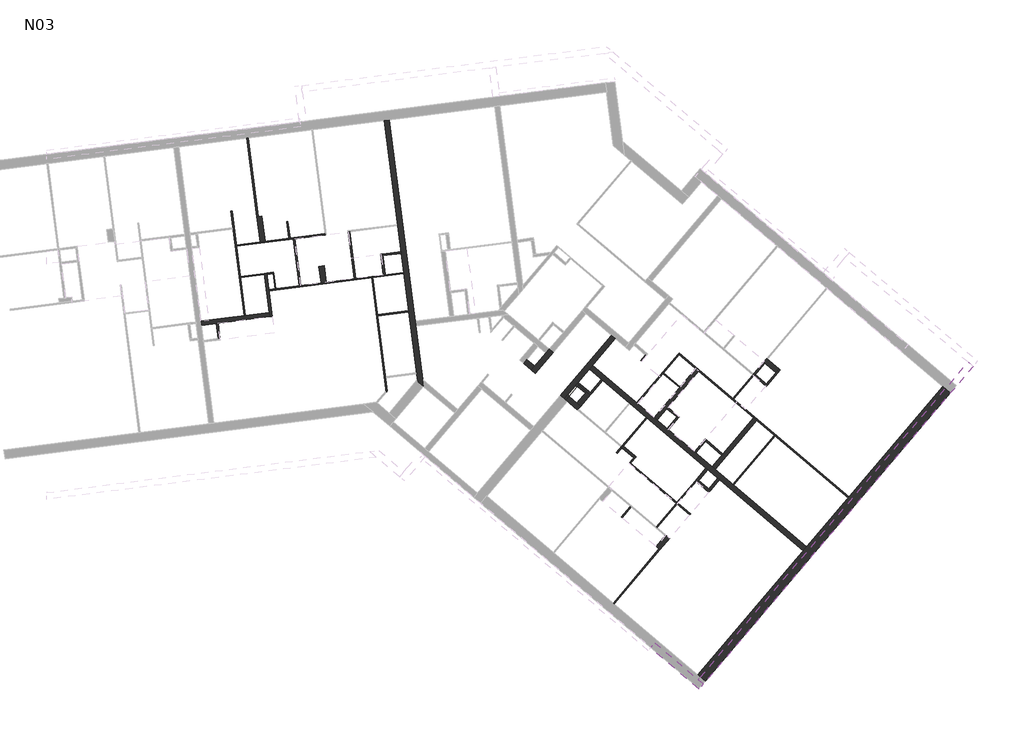
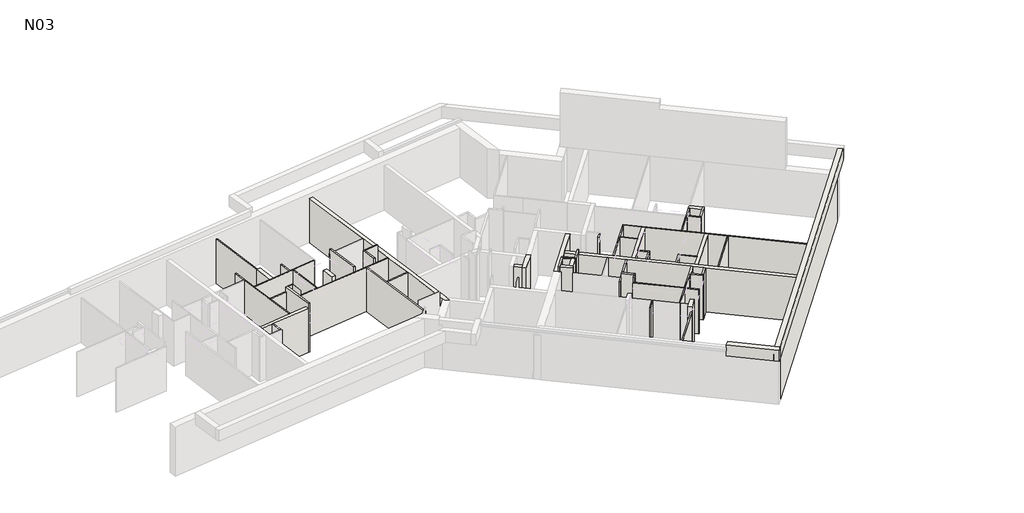
# One storey, part 2 of 3: 61 walls.
"""IFC4 building model written with IfcOpenShell, lengths in millimetres."""

from ifc_helpers import new_model, si_unit, frame, origin, place, context, project, spatial, polyline, outline, extrude, faceted_brep, element, save

model = new_model("IFC4")

# Units and contexts
model_context = context("Model", 3, world=origin())
ifc_project = project(units=[si_unit("LENGTHUNIT", "METRE", prefix="MILLI")], contexts=[model_context])

# Site, building, storey
site = spatial("IfcSite", under=ifc_project)
building = spatial("IfcBuilding", under=site)
storey = spatial("IfcBuildingStorey", under=building, Name="N03", Elevation=8610.0)

# Walls
placement = place(None, origin())
element("IfcWall", 1, at=placement, inside=storey, context=model_context, shape_type="Brep", body=[
    faceted_brep([(6573.8266873, 25247.4507116, 8610.0), (7091.298347, 21198.648002, 8610.0), (7097.6372121, 21149.0514417, 8610.0), (7227.2035217, 20135.2984845, 8610.0), (7236.0779329, 20065.8633002, 8610.0), (7330.9074492, 19323.8980245, 8610.0), (7337.2463143, 19274.3014642, 8610.0), (7522.1261366, 17827.764419, 8610.0), (7528.4650018, 17778.1678588, 8610.0), (7830.1949823, 15417.3715908, 8610.0), (7836.5338475, 15367.7750306, 8610.0), (7865.2890942, 15142.7881766, 8610.0), (7877.7236226, 15045.4979161, 8610.0), (7877.7236226, 15045.4979161, 11110.0), (7865.2890942, 15142.7881766, 11110.0), (7528.4650018, 17778.1678588, 11110.0), (7522.1261366, 17827.764419, 11110.0), (7337.2463143, 19274.3014642, 11110.0), (7330.9074492, 19323.8980245, 11110.0), (7097.6372121, 21149.0514417, 11110.0), (7091.298347, 21198.648002, 11110.0), (6573.8266873, 25247.4507116, 11110.0), (6772.2129283, 25272.8061722, 8610.0), (6772.2129283, 25272.8061722, 11110.0), (7775.7214118, 17421.1532528, 11110.0), (7801.0768724, 17222.7670118, 11110.0), (8066.276266, 15147.7934292, 11110.0), (8103.8819853, 14853.5586918, 11110.0), (8103.8819853, 14853.5586918, 8610.0), (8066.276266, 15147.7934292, 8610.0), (7801.0768724, 17222.7670118, 8610.0), (7775.7214118, 17421.1532528, 8610.0), (8089.348342, 14865.8933062, 8610.0), (8089.348342, 14865.8933062, 11110.0)], [[[0, 1, 2, 3, 4, 5, 6, 7, 8, 9, 10, 11, 12, 13, 14, 15, 16, 17, 18, 19, 20, 21]], [[22, 23, 24, 25, 26, 27, 28, 29, 30, 31]], [[12, 11, 10, 9, 8, 7, 6, 5, 4, 3, 2, 1, 0, 22, 31, 30, 29, 28, 32]], [[21, 20, 19, 18, 17, 16, 15, 14, 13, 33, 27, 26, 25, 24, 23]], [[13, 12, 32, 28, 27, 33]], [[0, 21, 23, 22]]]),
])
element("IfcWall", 2, at=placement, inside=storey, context=model_context, shape_type="Brep", body=[
    faceted_brep([(23044.8025054, 8615.744738, 8610.0), (20203.3756075, 11027.2464329, 8610.0), (20165.2540826, 11059.5999387, 8610.0), (19479.0666351, 11641.9630444, 8610.0), (19357.0777555, 11745.4942632, 8610.0), (18724.2604428, 12282.5624606, 8610.0), (18670.890308, 12327.8573688, 8610.0), (17219.7762145, 13559.409058, 8610.0), (17097.7873349, 13662.9402767, 8610.0), (16457.3457172, 14206.4791754, 8610.0), (16419.2241924, 14238.8326812, 8610.0), (14698.6274171, 15699.0926804, 8610.0), (14698.6274171, 15699.0926804, 11110.0), (16419.2241924, 14238.8326812, 11110.0), (16457.3457172, 14206.4791754, 11110.0), (17097.7873349, 13662.9402767, 11110.0), (17219.7762145, 13559.409058, 11110.0), (18670.890308, 12327.8573688, 11110.0), (18724.2604428, 12282.5624606, 11110.0), (19357.0777555, 11745.4942632, 11110.0), (19479.0666351, 11641.9630444, 11110.0), (20165.2540826, 11059.5999387, 11110.0), (20203.3756075, 11027.2464329, 11110.0), (23044.8025054, 8615.744738, 11110.0), (22915.3884819, 8463.2586386, 8610.0), (22915.3884819, 8463.2586386, 11110.0), (19648.4348699, 11235.9022629, 11110.0), (19572.1918202, 11300.6092746, 11110.0), (19190.9765715, 11624.1443333, 11110.0), (19114.7335218, 11688.851345, 11110.0), (16822.4519677, 13634.2967327, 11110.0), (16784.3304428, 13666.6502385, 11110.0), (16151.51313, 14203.718436, 11110.0), (16113.3916052, 14236.0719418, 11110.0), (14569.2133936, 15546.6065809, 11110.0), (14569.2133936, 15546.6065809, 8610.0), (16113.3916052, 14236.0719418, 8610.0), (16151.51313, 14203.718436, 8610.0), (16784.3304428, 13666.6502385, 8610.0), (16822.4519677, 13634.2967327, 8610.0), (19114.7335218, 11688.851345, 8610.0), (19190.9765715, 11624.1443333, 8610.0), (19572.1918202, 11300.6092746, 8610.0), (19648.4348699, 11235.9022629, 8610.0)], [[[0, 1, 2, 3, 4, 5, 6, 7, 8, 9, 10, 11, 12, 13, 14, 15, 16, 17, 18, 19, 20, 21, 22, 23]], [[24, 25, 26, 27, 28, 29, 30, 31, 32, 33, 34, 35, 36, 37, 38, 39, 40, 41, 42, 43]], [[11, 10, 9, 8, 7, 6, 5, 4, 3, 2, 1, 0, 24, 43, 42, 41, 40, 39, 38, 37, 36, 35]], [[23, 22, 21, 20, 19, 18, 17, 16, 15, 14, 13, 12, 34, 33, 32, 31, 30, 29, 28, 27, 26, 25]], [[0, 23, 25, 24]], [[12, 11, 35, 34]]]),
])
element("IfcWall", 3, at=placement, inside=storey, context=model_context, shape_type="Brep", body=[
    faceted_brep([(29335.1347893, 15826.6188703, 11050.0), (18897.8937958, 3528.6149492, 11050.0), (18813.7746805, 3429.4989845, 11050.0), (18813.7746805, 3429.4989845, 11690.0), (29335.1347893, 15826.6188703, 11690.0), (29533.3667185, 15658.3806398, 11050.0), (29533.3667185, 15658.3806398, 11690.0), (19012.0066098, 3261.260754, 11690.0), (19012.0066098, 3261.260754, 11050.0)], [[[0, 1, 2, 3, 4]], [[5, 6, 7, 8]], [[2, 1, 0, 5, 8]], [[4, 3, 7, 6]], [[3, 2, 8, 7]], [[0, 4, 6, 5]]]),
])
element("IfcWall", 4, at=placement, inside=storey, context=model_context, shape_type="Brep", body=[
    faceted_brep([(19012.0066098, 3261.260754, 11050.0), (18813.7746805, 3429.4989845, 11050.0), (17121.1789766, 4865.9946451, 11050.0), (17121.1789766, 4865.9946451, 11690.0), (18813.7746805, 3429.4989845, 11690.0), (19012.0066098, 3261.260754, 11690.0), (18843.7683793, 3063.0288247, 11050.0), (18843.7683793, 3063.0288247, 11690.0), (16952.940746, 4667.7627158, 11690.0), (16952.940746, 4667.7627158, 11050.0)], [[[0, 1, 2, 3, 4, 5]], [[6, 7, 8, 9]], [[2, 1, 0, 6, 9]], [[5, 4, 3, 8, 7]], [[0, 5, 7, 6]], [[3, 2, 9, 8]]]),
])
element("IfcWall", 5, at=placement, inside=storey, context=model_context, shape_type="Brep", body=[
    faceted_brep([(28349.5327638, 14866.2082043, 8610.0), (23044.8025054, 8615.744738, 8610.0), (22915.3884819, 8463.2586386, 8610.0), (18798.7778311, 3612.7340644, 8610.0), (18798.7778311, 3612.7340644, 11050.0), (28349.5327638, 14866.2082043, 11050.0), (19080.8771151, 3373.318121, 8610.0), (28631.6320478, 14626.7922609, 8610.0), (28631.6320478, 14626.7922609, 11050.0), (19080.8771151, 3373.318121, 11050.0), (18897.8937958, 3528.6149492, 11050.0)], [[[0, 1, 2, 3, 4, 5]], [[6, 7, 8, 9]], [[3, 2, 1, 0, 7, 6]], [[5, 4, 10, 9, 8]], [[4, 3, 6, 9, 10]], [[5, 8, 7, 0]]]),
])
element("IfcWall", 6, at=placement, inside=storey, context=model_context, shape_type="Brep", body=[
    faceted_brep([(13586.371073, 14388.5420388, 8610.0), (14569.2133936, 15546.6065809, 8610.0), (14698.6274171, 15699.0926804, 8610.0), (15578.6427768, 16735.9981567, 8610.0), (15578.6427768, 16735.9981567, 11110.0), (14698.6274171, 15699.0926804, 11110.0), (14569.2133936, 15546.6065809, 11110.0), (13586.371073, 14388.5420388, 11110.0), (15426.1566773, 16865.4121802, 8610.0), (13433.8849736, 14517.9560622, 8610.0), (13433.8849736, 14517.9560622, 11110.0), (15426.1566773, 16865.4121802, 11110.0)], [[[0, 1, 2, 3, 4, 5, 6, 7]], [[8, 9, 10, 11]], [[3, 2, 1, 0, 9, 8]], [[7, 6, 5, 4, 11, 10]], [[0, 7, 10, 9]], [[4, 3, 8, 11]]]),
])
element("IfcWall", 7, at=placement, inside=storey, context=model_context, shape_type="Brep", body=[
    faceted_brep([(12998.0125548, 16326.6822904, 8610.0), (12868.5985313, 16174.196191, 8610.0), (12435.0615526, 15663.3677578, 8610.0), (12305.6475292, 15510.8816583, 8610.0), (12305.6475292, 15510.8816583, 11110.0), (12435.0615526, 15663.3677578, 11110.0), (12868.5985313, 16174.196191, 11110.0), (12998.0125548, 16326.6822904, 11110.0), (13150.4986542, 16197.2682669, 8610.0), (13150.4986542, 16197.2682669, 11110.0), (12458.1336286, 15381.4676348, 11110.0), (12458.1336286, 15381.4676348, 8610.0)], [[[0, 1, 2, 3, 4, 5, 6, 7]], [[8, 9, 10, 11]], [[3, 2, 1, 0, 8, 11]], [[7, 6, 5, 4, 10, 9]], [[4, 3, 11, 10]], [[0, 7, 9, 8]]]),
])
element("IfcWall", 8, at=placement, inside=storey, context=model_context, shape_type="SweptSolid", body=[
    extrude(outline(polyline([(12305.6475292, 15510.8816583), (12000.6753302, 15769.7097053), (12130.0893537, 15922.1958047), (12435.0615526, 15663.3677578), (12305.6475292, 15510.8816583)])), frame((0.0, 0.0, 8610.0), z_axis=(0.0, 0.0, 1.0), x_axis=(1.0, 0.0, 0.0)), (0.0, 0.0, 1.0), 2500.0),
])
element("IfcWall", 9, at=placement, inside=storey, context=model_context, shape_type="SweptSolid", body=[
    extrude(outline(polyline([(14152.0802044, 14931.4722172), (14457.0524033, 14672.6441703), (14405.2867939, 14611.6497305), (14100.314595, 14870.4777775), (14152.0802044, 14931.4722172)])), frame((0.0, 0.0, 8610.0), z_axis=(0.0, 0.0, 1.0), x_axis=(1.0, 0.0, 0.0)), (0.0, 0.0, 1.0), 2770.0),
])
element("IfcWall", 10, at=placement, inside=storey, context=model_context, shape_type="Brep", body=[
    faceted_brep([(14091.0857646, 14983.2378266, 8610.0), (13586.371073, 14388.5420388, 8610.0), (13586.371073, 14388.5420388, 11380.0), (14091.0857646, 14983.2378266, 11380.0), (14019.9080517, 14899.3704719, 10110.0), (13728.7264989, 14556.2767482, 10110.0), (13728.7264989, 14556.2767482, 9110.0), (14019.9080517, 14899.3704719, 9110.0), (13647.3655128, 14336.7764294, 11380.0), (13647.3655128, 14336.7764294, 8610.0), (13776.7795363, 14489.2625288, 8610.0), (14100.314595, 14870.4777775, 8610.0), (14152.0802044, 14931.4722172, 8610.0), (14152.0802044, 14931.4722172, 11380.0), (14100.314595, 14870.4777775, 11380.0), (13776.7795363, 14489.2625288, 11380.0), (13789.7209386, 14504.5111388, 10110.0), (14080.9024915, 14847.6048625, 10110.0), (14080.9024915, 14847.6048625, 9110.0), (13789.7209386, 14504.5111388, 9110.0)], [[[0, 1, 2, 3], [4, 5, 6, 7]], [[8, 9, 10, 11, 12, 13, 14, 15], [16, 17, 18, 19]], [[1, 0, 12, 11, 10, 9]], [[3, 2, 8, 15, 14, 13]], [[4, 17, 16, 5]], [[6, 19, 18, 7]], [[17, 4, 7, 18]], [[5, 16, 19, 6]], [[1, 9, 8, 2]], [[0, 3, 13, 12]]]),
])
element("IfcWall", 11, at=placement, inside=storey, context=model_context, shape_type="Brep", body=[
    faceted_brep([(13647.3655128, 14336.7764294, 8610.0), (13700.7356476, 14291.4815212, 8610.0), (14104.8238112, 13948.5343589, 8610.0), (14104.8238112, 13948.5343589, 11110.0), (14104.8238112, 13948.5343589, 11380.0), (13647.3655128, 14336.7764294, 11380.0), (13776.7795363, 14489.2625288, 8610.0), (13776.7795363, 14489.2625288, 11380.0), (14081.7517352, 14230.4344819, 11380.0), (14234.2378347, 14101.0204584, 11380.0), (14234.2378347, 14101.0204584, 8610.0), (14081.7517352, 14230.4344819, 8610.0), (14137.1773171, 13986.6558838, 8610.0)], [[[0, 1, 2, 3, 4, 5]], [[6, 7, 8, 9, 10, 11]], [[2, 1, 0, 6, 11, 10, 12]], [[5, 4, 9, 8, 7]], [[0, 5, 7, 6]], [[2, 12, 10, 9, 4, 3]]]),
])
element("IfcWall", 12, at=placement, inside=storey, context=model_context, shape_type="Brep", body=[
    faceted_brep([(14234.2378347, 14101.0204584, 11380.0), (14234.2378347, 14101.0204584, 8610.0), (14609.5385027, 14543.2301468, 8610.0), (14609.5385027, 14543.2301468, 11380.0), (14081.7517352, 14230.4344819, 8610.0), (14081.7517352, 14230.4344819, 11380.0), (14405.2867939, 14611.6497305, 11380.0), (14457.0524033, 14672.6441703, 11380.0), (14457.0524033, 14672.6441703, 8610.0), (14405.2867939, 14611.6497305, 8610.0)], [[[0, 1, 2, 3]], [[4, 5, 6, 7, 8, 9]], [[2, 1, 4, 9, 8]], [[0, 3, 7, 6, 5]], [[3, 2, 8, 7]], [[0, 5, 4, 1]]]),
])
element("IfcWall", 13, ObjectType="CLO 10", at=placement, inside=storey, context=model_context, shape_type="Brep", body=[
    faceted_brep([(19114.7335218, 11688.851345, 8610.0), (18694.1379455, 11193.2715218, 8610.0), (18694.1379455, 11193.2715218, 11110.0), (19114.7335218, 11688.851345, 11110.0), (19190.9765715, 11624.1443333, 8610.0), (19190.9765715, 11624.1443333, 11110.0), (18835.0880069, 11204.8075598, 11110.0), (18770.3809952, 11128.5645101, 11110.0), (18770.3809952, 11128.5645101, 8610.0), (18835.0880069, 11204.8075598, 8610.0), (18732.2594703, 11160.9180159, 8610.0), (18732.2594703, 11160.9180159, 11110.0)], [[[0, 1, 2, 3]], [[4, 5, 6, 7, 8, 9]], [[1, 0, 4, 9, 8, 10]], [[3, 2, 11, 7, 6, 5]], [[0, 3, 5, 4]], [[2, 1, 10, 8, 7, 11]]]),
])
element("IfcWall", 14, ObjectType="CLO 10", at=placement, inside=storey, context=model_context, shape_type="Brep", body=[
    faceted_brep([(18770.3809952, 11128.5645101, 8610.0), (19227.8392936, 10740.3224396, 8610.0), (19227.8392936, 10740.3224396, 11110.0), (18770.3809952, 11128.5645101, 11110.0), (18835.0880069, 11204.8075598, 8610.0), (18835.0880069, 11204.8075598, 11110.0), (19216.3032556, 10881.2725011, 11110.0), (19292.5463053, 10816.5654894, 11110.0), (19292.5463053, 10816.5654894, 8610.0), (19216.3032556, 10881.2725011, 8610.0)], [[[0, 1, 2, 3]], [[4, 5, 6, 7, 8, 9]], [[1, 0, 4, 9, 8]], [[3, 2, 7, 6, 5]], [[2, 1, 8, 7]], [[0, 3, 5, 4]]]),
])
element("IfcWall", 15, ObjectType="CLO 10", at=placement, inside=storey, context=model_context, shape_type="SweptSolid", body=[
    extrude(outline(polyline([(19648.4348699, 11235.9022629), (19292.5463053, 10816.5654894), (19216.3032556, 10881.2725011), (19572.1918202, 11300.6092746), (19648.4348699, 11235.9022629)])), frame((0.0, 0.0, 8610.0), z_axis=(0.0, 0.0, 1.0), x_axis=(1.0, 0.0, 0.0)), (0.0, 0.0, 1.0), 2500.0),
])
element("IfcWall", 16, ObjectType="CLO 10", at=placement, inside=storey, context=model_context, shape_type="SweptSolid", body=[
    extrude(outline(polyline([(15897.1416998, 12544.0211215), (16354.5999982, 12155.7790511), (16289.8929864, 12079.5360014), (15832.4346881, 12467.7780718), (15897.1416998, 12544.0211215)])), frame((0.0, 0.0, 8610.0), z_axis=(0.0, 0.0, 1.0), x_axis=(1.0, 0.0, 0.0)), (0.0, 0.0, 1.0), 2770.0),
])
element("IfcWall", 17, ObjectType="CLO 10", at=placement, inside=storey, context=model_context, shape_type="Brep", body=[
    faceted_brep([(2196.7926161, 17609.779786, 8610.0), (2070.0916156, 18601.1139866, 8610.0), (2063.7527505, 18650.7105469, 8610.0), (1987.6863688, 19245.8692699, 8610.0), (1981.3475037, 19295.4658301, 8610.0), (1981.3475037, 19295.4658301, 11380.0), (1987.6863688, 19245.8692699, 11380.0), (2196.7926161, 17609.779786, 11380.0), (2097.5994956, 17597.1020558, 8610.0), (2097.5994956, 17597.1020558, 11110.0), (2097.5994956, 17597.1020558, 11380.0), (1882.1543832, 19282.7880998, 11380.0), (1882.1543832, 19282.7880998, 11110.0), (1882.1543832, 19282.7880998, 8610.0), (1888.4932483, 19233.1915396, 8610.0), (2077.3151272, 17755.8110486, 8610.0)], [[[0, 1, 2, 3, 4, 5, 6, 7]], [[8, 9, 10, 11, 12, 13, 14, 15]], [[4, 3, 2, 1, 0, 8, 15, 14, 13]], [[7, 6, 5, 11, 10]], [[0, 7, 10, 9, 8]], [[4, 13, 12, 11, 5]]]),
])
element("IfcWall", 18, ObjectType="CLO 2", at=placement, inside=storey, context=model_context, shape_type="Brep", body=[
    faceted_brep([(2235.6691701, 19277.5635956, 8610.0), (2311.7355518, 18682.4048725, 8610.0), (2311.7355518, 18682.4048725, 11380.0), (2235.6691701, 19277.5635956, 11380.0), (2255.5077942, 19280.0991416, 8610.0), (2255.5077942, 19280.0991416, 11380.0), (2331.5741759, 18684.9404186, 11380.0), (2331.5741759, 18684.9404186, 10710.0), (2331.5741759, 18684.9404186, 8610.0)], [[[0, 1, 2, 3]], [[4, 5, 6, 7, 8]], [[1, 0, 4, 8]], [[3, 2, 6, 5]], [[0, 3, 5, 4]], [[2, 1, 8, 7, 6]]]),
])
element("IfcWall", 19, ObjectType="CLO 5", at=placement, inside=storey, context=model_context, shape_type="SweptSolid", body=[
    extrude(outline(polyline([(15493.7026942, 6417.7311946), (17282.8515688, 8525.8515196), (17320.9730937, 8493.4980137), (15531.8242191, 6385.3776887), (15493.7026942, 6417.7311946)])), frame((0.0, 0.0, 8610.0), z_axis=(0.0, 0.0, 1.0), x_axis=(1.0, 0.0, 0.0)), (0.0, 0.0, 1.0), 2500.0),
])
element("IfcWall", 20, ObjectType="CLO 5", at=placement, inside=storey, context=model_context, shape_type="Brep", body=[
    faceted_brep([(18516.0621645, 9901.6488926, 8610.0), (18020.4823412, 10322.2444689, 8610.0), (17982.3608164, 10354.5979748, 8610.0), (16185.6590855, 11879.4477861, 8610.0), (16147.5375606, 11911.801292, 8610.0), (16147.5375606, 11911.801292, 11110.0), (17982.3608164, 10354.5979748, 11110.0), (18020.4823412, 10322.2444689, 11110.0), (18516.0621645, 9901.6488926, 11110.0), (18483.7086586, 9863.5273678, 8610.0), (18483.7086586, 9863.5273678, 11110.0), (17988.1288353, 10284.1229441, 11110.0), (17950.0073105, 10316.4764499, 11110.0), (16115.1840547, 11873.6797671, 11110.0), (16115.1840547, 11873.6797671, 8610.0)], [[[0, 1, 2, 3, 4, 5, 6, 7, 8]], [[9, 10, 11, 12, 13, 14]], [[4, 3, 2, 1, 0, 9, 14]], [[8, 7, 6, 5, 13, 12, 11, 10]], [[0, 8, 10, 9]], [[5, 4, 14, 13]]]),
])
element("IfcWall", 21, ObjectType="CLO 5", at=placement, inside=storey, context=model_context, shape_type="Brep", body=[
    faceted_brep([(15657.7257564, 12261.9218376, 8610.0), (15832.4346881, 12467.7780718, 8610.0), (15897.1416998, 12544.0211215, 8610.0), (16822.4519677, 13634.2967327, 8610.0), (16822.4519677, 13634.2967327, 11110.0), (15657.7257564, 12261.9218376, 11110.0), (15619.6042315, 12294.2753434, 8610.0), (15619.6042315, 12294.2753434, 11110.0), (15801.4881222, 12508.5856963, 11110.0), (15833.841628, 12546.7072212, 11110.0), (16784.3304428, 13666.6502385, 11110.0), (16784.3304428, 13666.6502385, 8610.0)], [[[0, 1, 2, 3, 4, 5]], [[6, 7, 8, 9, 10, 11]], [[3, 2, 1, 0, 6, 11]], [[5, 4, 10, 9, 8, 7]], [[0, 5, 7, 6]], [[4, 3, 11, 10]]]),
])
element("IfcWall", 22, ObjectType="CLO 5", at=placement, inside=storey, context=model_context, shape_type="Brep", body=[
    faceted_brep([(24711.8920463, 10549.1363042, 8610.0), (18071.0651233, 16185.1656498, 8610.0), (18071.0651233, 16185.1656498, 11110.0), (20160.1819776, 14412.144905, 11110.0), (20198.3035024, 14379.7913992, 11110.0), (24711.8920463, 10549.1363042, 11110.0), (24679.5385405, 10511.0147794, 8610.0), (24679.5385405, 10511.0147794, 11110.0), (21822.8630326, 12935.4578765, 11110.0), (21784.7415077, 12967.8113824, 11110.0), (21098.5540602, 13550.1744881, 11110.0), (20976.5651806, 13653.7057069, 11110.0), (18839.2636396, 15467.6205017, 11110.0), (18717.2747601, 15571.1517204, 11110.0), (18076.8331423, 16114.690619, 11110.0), (18038.7116175, 16147.0441249, 11110.0), (18038.7116175, 16147.0441249, 8610.0), (18076.8331423, 16114.690619, 8610.0), (18717.2747601, 15571.1517204, 8610.0), (18839.2636396, 15467.6205017, 8610.0), (20976.5651806, 13653.7057069, 8610.0), (21098.5540602, 13550.1744881, 8610.0), (21784.7415077, 12967.8113824, 8610.0), (21822.8630326, 12935.4578765, 8610.0)], [[[0, 1, 2, 3, 4, 5]], [[6, 7, 8, 9, 10, 11, 12, 13, 14, 15, 16, 17, 18, 19, 20, 21, 22, 23]], [[1, 0, 6, 23, 22, 21, 20, 19, 18, 17, 16]], [[5, 4, 3, 2, 15, 14, 13, 12, 11, 10, 9, 8, 7]], [[0, 5, 7, 6]], [[2, 1, 16, 15]]]),
])
element("IfcWall", 23, ObjectType="CLO 5", at=placement, inside=storey, context=model_context, shape_type="Brep", body=[
    faceted_brep([(17442.7044273, 15367.5087317, 8610.0), (18083.146045, 14823.9698331, 8610.0), (18083.146045, 14823.9698331, 11110.0), (17442.7044273, 15367.5087317, 11110.0), (17442.7044273, 15367.5087317, 10710.0), (17475.0579332, 15405.6302566, 8610.0), (17475.0579332, 15405.6302566, 10710.0), (17475.0579332, 15405.6302566, 11110.0), (18115.4995509, 14862.091358, 11110.0), (18115.4995509, 14862.091358, 8610.0)], [[[0, 1, 2, 3, 4]], [[5, 6, 7, 8, 9]], [[1, 0, 5, 9]], [[3, 2, 8, 7]], [[0, 4, 3, 7, 6, 5]], [[2, 1, 9, 8]]]),
])
element("IfcWall", 24, ObjectType="CLO 5", at=placement, inside=storey, context=model_context, shape_type="SweptSolid", body=[
    extrude(outline(polyline([(21822.8630326, 12935.4578765), (20203.3756075, 11027.2464329), (20165.2540826, 11059.5999387), (21784.7415077, 12967.8113824), (21822.8630326, 12935.4578765)])), frame((0.0, 0.0, 8610.0), z_axis=(0.0, 0.0, 1.0), x_axis=(1.0, 0.0, 0.0)), (0.0, 0.0, 1.0), 2500.0),
])
element("IfcWall", 25, ObjectType="CLO 5", at=placement, inside=storey, context=model_context, shape_type="SweptSolid", body=[
    extrude(outline(polyline([(17982.3608164, 10354.5979748), (18694.1379455, 11193.2715218), (18732.2594703, 11160.9180159), (18020.4823412, 10322.2444689), (17982.3608164, 10354.5979748)])), frame((0.0, 0.0, 8610.0), z_axis=(0.0, 0.0, 1.0), x_axis=(1.0, 0.0, 0.0)), (0.0, 0.0, 1.0), 2500.0),
])
element("IfcWall", 26, ObjectType="CLO 5", at=placement, inside=storey, context=model_context, shape_type="Brep", body=[
    faceted_brep([(18038.7116175, 16147.0441249, 8610.0), (16419.2241924, 14238.8326812, 8610.0), (16419.2241924, 14238.8326812, 11110.0), (18038.7116175, 16147.0441249, 11110.0), (18076.8331423, 16114.690619, 8610.0), (18076.8331423, 16114.690619, 11110.0), (17475.0579332, 15405.6302566, 11110.0), (17442.7044273, 15367.5087317, 11110.0), (16457.3457172, 14206.4791754, 11110.0), (16457.3457172, 14206.4791754, 8610.0), (17442.7044273, 15367.5087317, 8610.0), (17475.0579332, 15405.6302566, 8610.0)], [[[0, 1, 2, 3]], [[4, 5, 6, 7, 8, 9, 10, 11]], [[1, 0, 4, 11, 10, 9]], [[3, 2, 8, 7, 6, 5]], [[2, 1, 9, 8]], [[0, 3, 5, 4]]]),
])
element("IfcWall", 27, ObjectType="CLO 5", at=placement, inside=storey, context=model_context, shape_type="SweptSolid", body=[
    extrude(outline(polyline([(17173.5231696, 9401.5598532), (17950.0073105, 10316.4764499), (17988.1288353, 10284.1229441), (17211.6446945, 9369.2063473), (17173.5231696, 9401.5598532)])), frame((0.0, 0.0, 8610.0), z_axis=(0.0, 0.0, 1.0), x_axis=(1.0, 0.0, 0.0)), (0.0, 0.0, 1.0), 2500.0),
])
element("IfcWall", 28, ObjectType="CLO 5", at=placement, inside=storey, context=model_context, shape_type="SweptSolid", body=[
    extrude(outline(polyline([(16574.9305796, 15890.454769), (16749.6395113, 16096.3110033), (16787.7610362, 16063.9574974), (16613.0521045, 15858.1012632), (16574.9305796, 15890.454769)])), frame((0.0, 0.0, 8610.0), z_axis=(0.0, 0.0, 1.0), x_axis=(1.0, 0.0, 0.0)), (0.0, 0.0, 1.0), 2500.0),
])
element("IfcWall", 29, ObjectType="CLO 5", at=placement, inside=storey, context=model_context, shape_type="SweptSolid", body=[
    extrude(outline(polyline([(20974.7876433, 15294.7079959), (20198.3035024, 14379.7913992), (20160.1819776, 14412.144905), (20936.6661184, 15327.0615018), (20955.7268809, 15310.8847488), (20963.3511858, 15304.4140477), (20974.7876433, 15294.7079959)])), frame((0.0, 0.0, 8610.0), z_axis=(0.0, 0.0, 1.0), x_axis=(1.0, 0.0, 0.0)), (0.0, 0.0, 1.0), 2500.0),
])
element("IfcWall", 30, ObjectType="CLO 5", at=placement, inside=storey, context=model_context, shape_type="Brep", body=[
    faceted_brep([(16185.6590855, 11879.4477861, 8610.0), (16392.721523, 12123.4255452, 8610.0), (16392.721523, 12123.4255452, 11380.0), (16185.6590855, 11879.4477861, 11380.0), (16147.5375606, 11911.801292, 8610.0), (16147.5375606, 11911.801292, 11110.0), (16147.5375606, 11911.801292, 11380.0), (16289.8929864, 12079.5360014, 11380.0), (16354.5999982, 12155.7790511, 11380.0), (16354.5999982, 12155.7790511, 8610.0), (16289.8929864, 12079.5360014, 8610.0)], [[[0, 1, 2, 3]], [[4, 5, 6, 7, 8, 9, 10]], [[1, 0, 4, 10, 9]], [[3, 2, 8, 7, 6]], [[0, 3, 6, 5, 4]], [[2, 1, 9, 8]]]),
])
element("IfcWall", 31, ObjectType="CLO 5", at=placement, inside=storey, context=model_context, shape_type="SweptSolid", body=[
    extrude(outline(polyline([(6311.9700665, 17673.0961097), (7522.1261366, 17827.764419), (7528.4650018, 17778.1678588), (6318.3089316, 17623.4995494), (6311.9700665, 17673.0961097)])), frame((0.0, 0.0, 8610.0), z_axis=(0.0, 0.0, 1.0), x_axis=(1.0, 0.0, 0.0)), (0.0, 0.0, 1.0), 2500.0),
])
element("IfcWall", 32, ObjectType="CLO 5", at=placement, inside=storey, context=model_context, shape_type="Brep", body=[
    faceted_brep([(2895.4293497, 20662.3800113, 8610.0), (2813.0241029, 21307.1352946, 8610.0), (2813.0241029, 21307.1352946, 11110.0), (2895.4293497, 20662.3800113, 11110.0), (2845.8327895, 20656.0411462, 8610.0), (2845.8327895, 20656.0411462, 10710.0), (2845.8327895, 20656.0411462, 11110.0), (2763.4275427, 21300.7964295, 11110.0), (2763.4275427, 21300.7964295, 8610.0)], [[[0, 1, 2, 3]], [[4, 5, 6, 7, 8]], [[1, 0, 4, 8]], [[2, 1, 8, 7]], [[3, 2, 7, 6]], [[0, 3, 6, 5, 4]]]),
])
element("IfcWall", 33, ObjectType="CLO 5", at=placement, inside=storey, context=model_context, shape_type="Brep", body=[
    faceted_brep([(2070.0916156, 18601.1139866, 8610.0), (6077.4936839, 19113.2942897, 8610.0), (6127.0902442, 19119.6331549, 8610.0), (7337.2463143, 19274.3014642, 8610.0), (7337.2463143, 19274.3014642, 11110.0), (6127.0902442, 19119.6331549, 11110.0), (6077.4936839, 19113.2942897, 11110.0), (2070.0916156, 18601.1139866, 11110.0), (2063.7527505, 18650.7105469, 8610.0), (2063.7527505, 18650.7105469, 11110.0), (3254.0701965, 18802.8433102, 11110.0), (3303.6667568, 18809.1821753, 11110.0), (7330.9074492, 19323.8980245, 11110.0), (7330.9074492, 19323.8980245, 8610.0), (6606.7976692, 19231.3505934, 8610.0), (6537.3624849, 19222.4761822, 8610.0), (5461.1171277, 19084.9228088, 8610.0), (5391.6819434, 19076.0483976, 8610.0), (4303.6661581, 18936.9906626, 8610.0), (4105.2799171, 18911.6352021, 8610.0), (3303.6667568, 18809.1821753, 8610.0), (3254.0701965, 18802.8433102, 8610.0), (2331.5741759, 18684.9404186, 8610.0), (2311.7355518, 18682.4048725, 8610.0)], [[[0, 1, 2, 3, 4, 5, 6, 7]], [[8, 9, 10, 11, 12, 13, 14, 15, 16, 17, 18, 19, 20, 21, 22, 23]], [[3, 2, 1, 0, 8, 23, 22, 21, 20, 19, 18, 17, 16, 15, 14, 13]], [[7, 6, 5, 4, 12, 11, 10, 9]], [[0, 7, 9, 8]], [[4, 3, 13, 12]]]),
])
element("IfcWall", 34, ObjectType="CLO 5", at=placement, inside=storey, context=model_context, shape_type="SweptSolid", body=[
    extrude(outline(polyline([(3070.3965197, 20634.3355925), (3303.6667568, 18809.1821753), (3254.0701965, 18802.8433102), (3020.7999595, 20627.9967274), (3070.3965197, 20634.3355925)])), frame((0.0, 0.0, 8610.0), z_axis=(0.0, 0.0, 1.0), x_axis=(1.0, 0.0, 0.0)), (0.0, 0.0, 1.0), 2500.0),
])
element("IfcWall", 35, ObjectType="CLO 5", at=placement, inside=storey, context=model_context, shape_type="Brep", body=[
    faceted_brep([(4254.3751006, 20836.0649161, 8610.0), (2895.4293497, 20662.3800113, 8610.0), (2845.8327895, 20656.0411462, 8610.0), (1923.3367688, 20538.1382546, 8610.0), (1724.9505278, 20512.7827941, 8610.0), (802.4545071, 20394.8799025, 8610.0), (802.4545071, 20394.8799025, 11110.0), (1724.9505278, 20512.7827941, 11110.0), (1923.3367688, 20538.1382546, 11110.0), (2845.8327895, 20656.0411462, 11110.0), (2895.4293497, 20662.3800113, 11110.0), (4254.3751006, 20836.0649161, 11110.0), (4260.7139657, 20786.4683559, 8610.0), (4260.7139657, 20786.4683559, 11110.0), (3070.3965197, 20634.3355925, 11110.0), (3020.7999595, 20627.9967274, 11110.0), (808.7933722, 20345.2833423, 11110.0), (808.7933722, 20345.2833423, 8610.0)], [[[0, 1, 2, 3, 4, 5, 6, 7, 8, 9, 10, 11]], [[12, 13, 14, 15, 16, 17]], [[5, 4, 3, 2, 1, 0, 12, 17]], [[11, 10, 9, 8, 7, 6, 16, 15, 14, 13]], [[0, 11, 13, 12]], [[6, 5, 17, 16]]]),
])
element("IfcWall", 36, ObjectType="CLO 5", at=placement, inside=storey, context=model_context, shape_type="Brep", body=[
    faceted_brep([(6692.4310716, 14696.2924149, 8610.0), (6318.3089316, 17623.4995494, 8610.0), (6311.9700665, 17673.0961097, 8610.0), (6127.0902442, 19119.6331549, 8610.0), (6127.0902442, 19119.6331549, 11110.0), (6311.9700665, 17673.0961097, 11110.0), (6318.3089316, 17623.4995494, 11110.0), (6692.4310716, 14696.2924149, 11110.0), (6648.6217842, 14644.672759, 8610.0), (6648.6217842, 14644.672759, 11110.0), (6077.4936839, 19113.2942897, 11110.0), (6077.4936839, 19113.2942897, 8610.0), (6640.0384435, 14711.8305493, 8610.0)], [[[0, 1, 2, 3, 4, 5, 6, 7]], [[8, 9, 10, 11, 12]], [[3, 2, 1, 0, 8, 12, 11]], [[7, 6, 5, 4, 10, 9]], [[0, 7, 9, 8]], [[4, 3, 11, 10]]]),
])
element("IfcWall", 37, ObjectType="CLO 5", at=placement, inside=storey, context=model_context, shape_type="SweptSolid", body=[
    extrude(outline(polyline([(1598.173225, 21504.7139991), (1207.4788681, 24561.5855037), (1257.0754284, 24567.9243688), (1647.7697853, 21511.0528642), (1598.173225, 21504.7139991)])), frame((0.0, 0.0, 8610.0), z_axis=(0.0, 0.0, 1.0), x_axis=(1.0, 0.0, 0.0)), (0.0, 0.0, 1.0), 2500.0),
])
element("IfcWall", 38, ObjectType="CLO 5", at=placement, inside=storey, context=model_context, shape_type="SweptSolid", body=[
    extrude(outline(polyline([(959.6583625, 19164.8852083), (1882.1543832, 19282.7880998), (1888.4932483, 19233.1915396), (965.9972277, 19115.288648), (959.6583625, 19164.8852083)])), frame((0.0, 0.0, 8610.0), z_axis=(0.0, 0.0, 1.0), x_axis=(1.0, 0.0, 0.0)), (0.0, 0.0, 1.0), 2500.0),
])
element("IfcWall", 39, ObjectType="CLO 5", at=placement, inside=storey, context=model_context, shape_type="Brep", body=[
    faceted_brep([(584.0238698, 21709.5329332, 8610.0), (666.4291166, 21064.7776499, 8610.0), (672.7679817, 21015.1810896, 8610.0), (1105.2225462, 17631.5692919, 8610.0), (1105.2225462, 17631.5692919, 11110.0), (672.7679817, 21015.1810896, 11110.0), (666.4291166, 21064.7776499, 11110.0), (584.0238698, 21709.5329332, 11110.0), (633.62043, 21715.8717983, 8610.0), (633.62043, 21715.8717983, 11110.0), (802.4545071, 20394.8799025, 11110.0), (808.7933722, 20345.2833423, 11110.0), (959.6583625, 19164.8852083, 11110.0), (965.9972277, 19115.288648, 11110.0), (1154.8191065, 17637.908157, 11110.0), (1154.8191065, 17637.908157, 8610.0), (965.9972277, 19115.288648, 8610.0), (959.6583625, 19164.8852083, 8610.0), (808.7933722, 20345.2833423, 8610.0), (802.4545071, 20394.8799025, 8610.0)], [[[0, 1, 2, 3, 4, 5, 6, 7]], [[8, 9, 10, 11, 12, 13, 14, 15, 16, 17, 18, 19]], [[3, 2, 1, 0, 8, 19, 18, 17, 16, 15]], [[7, 6, 5, 4, 14, 13, 12, 11, 10, 9]], [[0, 7, 9, 8]], [[4, 3, 15, 14]]]),
])
element("IfcWall", 40, ObjectType="CLO 5", at=placement, inside=storey, context=model_context, shape_type="Brep", body=[
    faceted_brep([(2249.1689291, 19329.6957019, 8610.0), (1981.3475037, 19295.4658301, 8610.0), (1981.3475037, 19295.4658301, 11380.0), (2249.1689291, 19329.6957019, 11380.0), (2255.5077942, 19280.0991416, 8610.0), (2255.5077942, 19280.0991416, 11380.0), (2235.6691701, 19277.5635956, 11380.0), (1987.6863688, 19245.8692699, 11380.0), (1987.6863688, 19245.8692699, 8610.0), (2235.6691701, 19277.5635956, 8610.0)], [[[0, 1, 2, 3]], [[4, 5, 6, 7, 8, 9]], [[1, 0, 4, 9, 8]], [[3, 2, 7, 6, 5]], [[0, 3, 5, 4]], [[2, 1, 8, 7]]]),
])
element("IfcWall", 41, ObjectType="CLO 5", at=placement, inside=storey, context=model_context, shape_type="Brep", body=[
    faceted_brep([(15842.5085102, 9748.2618971, 8610.0), (16196.4064283, 10165.2531296, 8610.0), (16196.4064283, 10165.2531296, 11110.0), (15842.5085102, 9748.2618971, 11110.0), (15804.3869853, 9780.615403, 8610.0), (15804.3869853, 9780.615403, 11110.0), (16158.2849035, 10197.6066355, 11110.0), (16158.2849035, 10197.6066355, 10710.0), (16158.2849035, 10197.6066355, 8610.0)], [[[0, 1, 2, 3]], [[4, 5, 6, 7, 8]], [[1, 0, 4, 8]], [[3, 2, 6, 5]], [[0, 3, 5, 4]], [[2, 1, 8, 7, 6]]]),
])
element("IfcWall", 42, ObjectType="CLO 7", at=placement, inside=storey, context=model_context, shape_type="Brep", body=[
    faceted_brep([(18724.2604428, 12282.5624606, 8610.0), (19099.5611109, 12724.772149, 8610.0), (19144.8560191, 12778.1422838, 8610.0), (19144.8560191, 12778.1422838, 11110.0), (19099.5611109, 12724.772149, 11110.0), (18724.2604428, 12282.5624606, 11110.0), (18670.890308, 12327.8573688, 8610.0), (18670.890308, 12327.8573688, 11110.0), (19091.4858843, 12823.437192, 11110.0), (19091.4858843, 12823.437192, 8610.0)], [[[0, 1, 2, 3, 4, 5]], [[6, 7, 8, 9]], [[2, 1, 0, 6, 9]], [[5, 4, 3, 8, 7]], [[3, 2, 9, 8]], [[0, 5, 7, 6]]]),
])
element("IfcWall", 43, ObjectType="CLO 7", at=placement, inside=storey, context=model_context, shape_type="SweptSolid", body=[
    extrude(outline(polyline([(19732.3784236, 12187.7039516), (19099.5611109, 12724.772149), (19144.8560191, 12778.1422838), (19777.6733318, 12241.0740864), (19732.3784236, 12187.7039516)])), frame((0.0, 0.0, 8610.0), z_axis=(0.0, 0.0, 1.0), x_axis=(1.0, 0.0, 0.0)), (0.0, 0.0, 1.0), 2500.0),
])
element("IfcWall", 44, ObjectType="CLO 7", at=placement, inside=storey, context=model_context, shape_type="Brep", body=[
    faceted_brep([(20990.0362532, 15281.7665936, 8610.0), (21470.3674665, 14874.1124196, 8610.0), (21470.3674665, 14874.1124196, 11110.0), (20990.0362532, 15281.7665936, 11110.0), (21035.3311615, 15335.1367284, 8610.0), (21035.3311615, 15335.1367284, 11110.0), (21462.2922399, 14972.7774626, 11110.0), (21515.6623747, 14927.4825544, 11110.0), (21515.6623747, 14927.4825544, 8610.0), (21462.2922399, 14972.7774626, 8610.0)], [[[0, 1, 2, 3]], [[4, 5, 6, 7, 8, 9]], [[1, 0, 4, 9, 8]], [[3, 2, 7, 6, 5]], [[0, 3, 5, 4]], [[2, 1, 8, 7]]]),
])
element("IfcWall", 45, ObjectType="CLO 7", at=placement, inside=storey, context=model_context, shape_type="Brep", body=[
    faceted_brep([(21515.6623747, 14927.4825544, 8610.0), (22017.3202305, 15518.5765304, 8610.0), (22017.3202305, 15518.5765304, 11110.0), (21515.6623747, 14927.4825544, 11110.0), (21462.2922399, 14972.7774626, 8610.0), (21462.2922399, 14972.7774626, 11110.0), (21834.5360722, 15411.3853391, 11110.0), (21963.9500957, 15563.8714386, 11110.0), (21963.9500957, 15563.8714386, 8610.0), (21834.5360722, 15411.3853391, 8610.0)], [[[0, 1, 2, 3]], [[4, 5, 6, 7, 8, 9]], [[1, 0, 4, 9, 8]], [[3, 2, 7, 6, 5]], [[2, 1, 8, 7]], [[0, 3, 5, 4]]]),
])
element("IfcWall", 46, ObjectType="CLO 7", at=placement, inside=storey, context=model_context, shape_type="Brep", body=[
    faceted_brep([(20990.0362532, 15281.7665936, 8610.0), (21035.3311615, 15335.1367284, 8610.0), (21407.5749937, 15773.7446049, 8610.0), (21407.5749937, 15773.7446049, 11110.0), (21035.3311615, 15335.1367284, 11110.0), (20990.0362532, 15281.7665936, 11110.0), (20936.6661184, 15327.0615018, 8610.0), (20936.6661184, 15327.0615018, 11110.0), (20969.0196243, 15365.1830266, 11110.0), (21354.2048589, 15819.0395131, 11110.0), (21354.2048589, 15819.0395131, 8610.0), (20969.0196243, 15365.1830266, 8610.0), (20974.7876433, 15294.7079959, 8610.0), (20963.3511858, 15304.4140477, 8610.0), (20955.7268809, 15310.8847488, 8610.0), (20955.7268809, 15310.8847488, 11110.0), (20963.3511858, 15304.4140477, 11110.0), (20974.7876433, 15294.7079959, 11110.0)], [[[0, 1, 2, 3, 4, 5]], [[6, 7, 8, 9, 10, 11]], [[2, 1, 0, 12, 13, 14, 6, 11, 10]], [[5, 4, 3, 9, 8, 7, 15, 16, 17]], [[0, 5, 17, 16, 15, 7, 6, 14, 13, 12]], [[3, 2, 10, 9]]]),
])
element("IfcWall", 47, ObjectType="CLO 7", at=placement, inside=storey, context=model_context, shape_type="Brep", body=[
    faceted_brep([(14654.833411, 14596.6002816, 8610.0), (14601.4632762, 14641.8951898, 8610.0), (14136.3806728, 15036.6079614, 8610.0), (14136.3806728, 15036.6079614, 11380.0), (14601.4632762, 14641.8951898, 11380.0), (14654.833411, 14596.6002816, 11380.0), (14609.5385027, 14543.2301468, 8610.0), (14609.5385027, 14543.2301468, 11380.0), (14091.0857646, 14983.2378266, 11380.0), (14091.0857646, 14983.2378266, 8610.0)], [[[0, 1, 2, 3, 4, 5]], [[6, 7, 8, 9]], [[2, 1, 0, 6, 9]], [[3, 2, 9, 8]], [[5, 4, 3, 8, 7]], [[0, 5, 7, 6]]]),
])
element("IfcWall", 48, ObjectType="CLO 7", at=placement, inside=storey, context=model_context, shape_type="SweptSolid", body=[
    extrude(outline(polyline([(14601.4632762, 14641.8951898), (15034.295997, 15151.8938093), (15087.6661318, 15106.5989011), (14654.833411, 14596.6002816), (14601.4632762, 14641.8951898)])), frame((0.0, 0.0, 8610.0), z_axis=(0.0, 0.0, 1.0), x_axis=(1.0, 0.0, 0.0)), (0.0, 0.0, 1.0), 2770.0),
])
element("IfcWall", 49, ObjectType="CLO 7", at=placement, inside=storey, context=model_context, shape_type="Brep", body=[
    faceted_brep([(17595.0768826, 14001.6187464, 8610.0), (17972.7364333, 13681.1013869, 8610.0), (18026.1065681, 13635.8064787, 8610.0), (18026.1065681, 13635.8064787, 11110.0), (17972.7364333, 13681.1013869, 11110.0), (17595.0768826, 14001.6187464, 11110.0), (17640.3717908, 14054.9888812, 8610.0), (17640.3717908, 14054.9888812, 11110.0), (18071.4014763, 13689.1766135, 11110.0), (18071.4014763, 13689.1766135, 8610.0)], [[[0, 1, 2, 3, 4, 5]], [[6, 7, 8, 9]], [[2, 1, 0, 6, 9]], [[5, 4, 3, 8, 7]], [[0, 5, 7, 6]], [[3, 2, 9, 8]]]),
])
element("IfcWall", 50, ObjectType="CLO 7", at=placement, inside=storey, context=model_context, shape_type="SweptSolid", body=[
    extrude(outline(polyline([(17601.066228, 13243.1694042), (17972.7364333, 13681.1013869), (18026.1065681, 13635.8064787), (17654.4363629, 13197.874496), (17601.066228, 13243.1694042)])), frame((0.0, 0.0, 8610.0), z_axis=(0.0, 0.0, 1.0), x_axis=(1.0, 0.0, 0.0)), (0.0, 0.0, 1.0), 2500.0),
])
element("IfcWall", 51, ObjectType="CLO 7", at=placement, inside=storey, context=model_context, shape_type="SweptSolid", body=[
    extrude(outline(polyline([(87.0876897, 17340.1414292), (161.8862983, 16754.9020183), (92.451114, 16746.0276071), (17.6525054, 17331.267018), (87.0876897, 17340.1414292)])), frame((0.0, 0.0, 8610.0), z_axis=(0.0, 0.0, 1.0), x_axis=(1.0, 0.0, 0.0)), (0.0, 0.0, 1.0), 2500.0),
])
element("IfcWall", 52, ObjectType="CLO 7", at=placement, inside=storey, context=model_context, shape_type="Brep", body=[
    faceted_brep([(5461.1171277, 19084.9228088, 8610.0), (5227.8468906, 20910.076226, 8610.0), (5227.8468906, 20910.076226, 11380.0), (5461.1171277, 19084.9228088, 11380.0), (5391.6819434, 19076.0483976, 8610.0), (5391.6819434, 19076.0483976, 11380.0), (5158.4117063, 20901.2018149, 11380.0), (5158.4117063, 20901.2018149, 11110.0), (5158.4117063, 20901.2018149, 8610.0)], [[[0, 1, 2, 3]], [[4, 5, 6, 7, 8]], [[1, 0, 4, 8]], [[3, 2, 6, 5]], [[2, 1, 8, 7, 6]], [[0, 3, 5, 4]]]),
])
element("IfcWall", 53, ObjectType="CLO 7", at=placement, inside=storey, context=model_context, shape_type="Brep", body=[
    faceted_brep([(6433.6585574, 20033.8766423, 8610.0), (6537.3624849, 19222.4761822, 8610.0), (6537.3624849, 19222.4761822, 11380.0), (6433.6585574, 20033.8766423, 11380.0), (6503.0937417, 20042.7510535, 8610.0), (6503.0937417, 20042.7510535, 11380.0), (6511.9681529, 19973.3158691, 11380.0), (6606.7976692, 19231.3505934, 11380.0), (6606.7976692, 19231.3505934, 8610.0), (6511.9681529, 19973.3158691, 8610.0)], [[[0, 1, 2, 3]], [[4, 5, 6, 7, 8, 9]], [[1, 0, 4, 9, 8]], [[3, 2, 7, 6, 5]], [[0, 3, 5, 4]], [[2, 1, 8, 7]]]),
])
element("IfcWall", 54, ObjectType="CLO 7", at=placement, inside=storey, context=model_context, shape_type="SweptSolid", body=[
    extrude(outline(polyline([(6503.0937417, 20042.7510535), (7227.2035217, 20135.2984845), (7236.0779329, 20065.8633002), (6511.9681529, 19973.3158691), (6503.0937417, 20042.7510535)])), frame((0.0, 0.0, 8610.0), z_axis=(0.0, 0.0, 1.0), x_axis=(1.0, 0.0, 0.0)), (0.0, 0.0, 1.0), 2770.0),
])
element("IfcWall", 55, ObjectType="EXT 16 ST", at=placement, inside=storey, context=model_context, shape_type="Brep", body=[
    faceted_brep([(20976.5651806, 13653.7057069, 8610.0), (19777.6733318, 12241.0740864, 8610.0), (19732.3784236, 12187.7039516, 8610.0), (19357.0777555, 11745.4942632, 8610.0), (19357.0777555, 11745.4942632, 11110.0), (19732.3784236, 12187.7039516, 11110.0), (19777.6733318, 12241.0740864, 11110.0), (20976.5651806, 13653.7057069, 11110.0), (21098.5540602, 13550.1744881, 8610.0), (21098.5540602, 13550.1744881, 11110.0), (19479.0666351, 11641.9630444, 11110.0), (19479.0666351, 11641.9630444, 8610.0)], [[[0, 1, 2, 3, 4, 5, 6, 7]], [[8, 9, 10, 11]], [[3, 2, 1, 0, 8, 11]], [[7, 6, 5, 4, 10, 9]], [[4, 3, 11, 10]], [[0, 7, 9, 8]]]),
])
element("IfcWall", 56, ObjectType="EXT 16 ST", at=placement, inside=storey, context=model_context, shape_type="Brep", body=[
    faceted_brep([(18717.2747601, 15571.1517204, 8610.0), (18115.4995509, 14862.091358, 8610.0), (18083.146045, 14823.9698331, 8610.0), (17097.7873349, 13662.9402767, 8610.0), (17097.7873349, 13662.9402767, 11110.0), (18083.146045, 14823.9698331, 11110.0), (18115.4995509, 14862.091358, 11110.0), (18717.2747601, 15571.1517204, 11110.0), (18839.2636396, 15467.6205017, 8610.0), (18839.2636396, 15467.6205017, 11110.0), (17640.3717908, 14054.9888812, 11110.0), (17595.0768826, 14001.6187464, 11110.0), (17219.7762145, 13559.409058, 11110.0), (17219.7762145, 13559.409058, 8610.0), (17595.0768826, 14001.6187464, 8610.0), (17640.3717908, 14054.9888812, 8610.0)], [[[0, 1, 2, 3, 4, 5, 6, 7]], [[8, 9, 10, 11, 12, 13, 14, 15]], [[3, 2, 1, 0, 8, 15, 14, 13]], [[7, 6, 5, 4, 12, 11, 10, 9]], [[4, 3, 13, 12]], [[0, 7, 9, 8]]]),
])
element("IfcWall", 57, ObjectType="EXT 16 ST", at=placement, inside=storey, context=model_context, shape_type="Brep", body=[
    faceted_brep([(2077.3151272, 17755.8110486, 8610.0), (1154.8191065, 17637.908157, 8610.0), (1105.2225462, 17631.5692919, 8610.0), (-577.951962, 17416.4451752, 8610.0), (-577.951962, 17416.4451752, 11110.0), (1105.2225462, 17631.5692919, 11110.0), (1154.8191065, 17637.908157, 11110.0), (2077.3151272, 17755.8110486, 11110.0), (2097.5994956, 17597.1020558, 8610.0), (2097.5994956, 17597.1020558, 11110.0), (87.0876897, 17340.1414292, 11110.0), (17.6525054, 17331.267018, 11110.0), (-557.6675935, 17257.7361824, 11110.0), (-557.6675935, 17257.7361824, 8610.0), (17.6525054, 17331.267018, 8610.0), (87.0876897, 17340.1414292, 8610.0)], [[[0, 1, 2, 3, 4, 5, 6, 7]], [[8, 9, 10, 11, 12, 13, 14, 15]], [[3, 2, 1, 0, 8, 15, 14, 13]], [[7, 6, 5, 4, 12, 11, 10, 9]], [[4, 3, 13, 12]], [[0, 7, 9, 8]]]),
])
element("IfcWall", 58, ObjectType="EXT 20 ST", at=placement, inside=storey, context=model_context, shape_type="Brep", body=[
    faceted_brep([(21963.9500957, 15563.8714386, 8610.0), (21521.7404072, 15939.1721067, 8610.0), (21483.6188824, 15971.5256125, 8610.0), (21483.6188824, 15971.5256125, 11110.0), (21521.7404072, 15939.1721067, 11110.0), (21963.9500957, 15563.8714386, 11110.0), (21834.5360722, 15411.3853391, 8610.0), (21834.5360722, 15411.3853391, 11110.0), (21407.5749937, 15773.7446049, 11110.0), (21354.2048589, 15819.0395131, 11110.0), (21354.2048589, 15819.0395131, 8610.0), (21407.5749937, 15773.7446049, 8610.0)], [[[0, 1, 2, 3, 4, 5]], [[6, 7, 8, 9, 10, 11]], [[2, 1, 0, 6, 11, 10]], [[5, 4, 3, 9, 8, 7]], [[3, 2, 10, 9]], [[0, 5, 7, 6]]]),
])
element("IfcWall", 59, ObjectType="EXT 20 ST", at=placement, inside=storey, context=model_context, shape_type="Brep", body=[
    faceted_brep([(17320.9730937, 8493.4980137, 8610.0), (17707.2245177, 8948.610771, 8610.0), (17707.2245177, 8948.610771, 11380.0), (17320.9730937, 8493.4980137, 11380.0), (17168.4869942, 8622.9120372, 8610.0), (17168.4869942, 8622.9120372, 11380.0), (17554.7384183, 9078.0247945, 11380.0), (17554.7384183, 9078.0247945, 8610.0), (17282.8515688, 8525.8515196, 8610.0)], [[[0, 1, 2, 3]], [[4, 5, 6, 7]], [[1, 0, 8, 4, 7]], [[2, 1, 7, 6]], [[3, 2, 6, 5]], [[0, 3, 5, 4, 8]]]),
])
element("IfcWall", 60, ObjectType="EXT 20 ST", at=placement, inside=storey, context=model_context, shape_type="Brep", body=[
    faceted_brep([(4022.8746703, 19556.3904854, 8610.0), (4105.2799171, 18911.6352021, 8610.0), (4105.2799171, 18911.6352021, 11110.0), (4105.2799171, 18911.6352021, 11380.0), (4022.8746703, 19556.3904854, 11380.0), (4303.6661581, 18936.9906626, 8610.0), (4221.2609114, 19581.7459459, 8610.0), (4221.2609114, 19581.7459459, 11380.0), (4303.6661581, 18936.9906626, 11380.0), (4303.6661581, 18936.9906626, 11110.0)], [[[0, 1, 2, 3, 4]], [[5, 6, 7, 8, 9]], [[1, 0, 6, 5]], [[4, 3, 8, 7]], [[0, 4, 7, 6]], [[1, 5, 9, 8, 3, 2]]]),
])
element("IfcWall", 61, ObjectType="EXT 20 ST", at=placement, inside=storey, context=model_context, shape_type="Brep", body=[
    faceted_brep([(1598.173225, 21504.7139991, 8610.0), (1724.9505278, 20512.7827941, 8610.0), (1724.9505278, 20512.7827941, 11110.0), (1598.173225, 21504.7139991, 11110.0), (1923.3367688, 20538.1382546, 8610.0), (1796.559466, 21530.0694597, 8610.0), (1796.559466, 21530.0694597, 11110.0), (1923.3367688, 20538.1382546, 11110.0), (1647.7697853, 21511.0528642, 8610.0), (1647.7697853, 21511.0528642, 11110.0)], [[[0, 1, 2, 3]], [[4, 5, 6, 7]], [[1, 0, 8, 5, 4]], [[3, 2, 7, 6, 9]], [[0, 3, 9, 6, 5, 8]], [[2, 1, 4, 7]]]),
])

save(model, "model.ifc")
